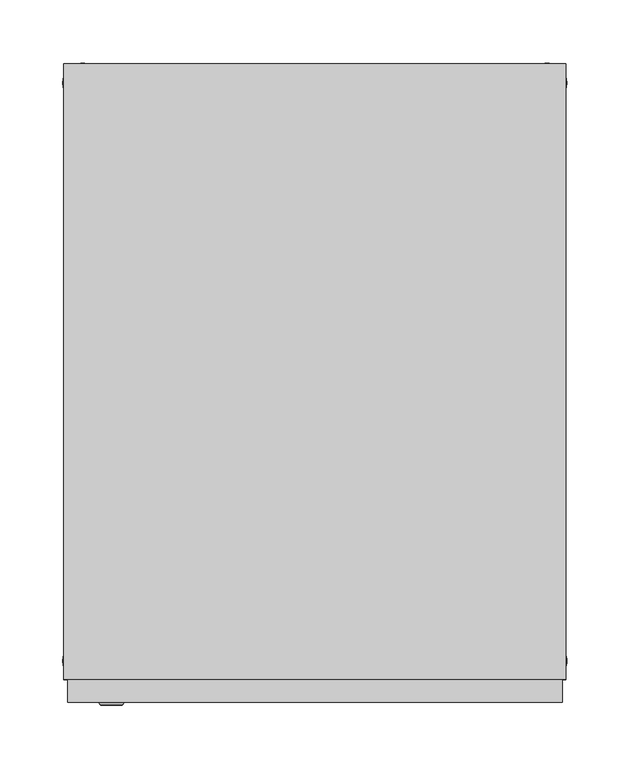
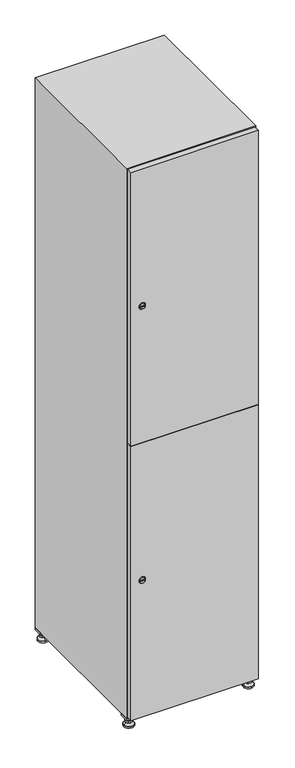
"""IFC4 building model written with IfcOpenShell, lengths in millimetres: furniture geometry."""

from ifc_helpers import new_model, si_unit, point, frame, frame_2d, origin, origin_with_axes, place, context, project, spatial, polyline, circle_curve, trimmed, segment, composite_curve, outline, extrude, faceted_brep, source, transform, mapped, element, save
from ifc_brep_helpers import plane_surface, revolved_surface, advanced_brep


def furniture_f7de7e23(model_context):
    return source(origin(), model_context, "Body", "SolidModel", [
        extrude(outline(polyline([(200.0, 245.0), (200.0, 215.0), (170.0, 215.0), (170.0, 245.0), (200.0, 245.0)]), holes=[polyline([(198.0, 243.0), (172.0, 243.0), (172.0, 217.0), (198.0, 217.0), (198.0, 243.0)])]), frame((0.0, 0.0, 28.5), z_axis=(0.0, 0.0, 1.0), x_axis=(1.0, 0.0, 0.0)), (0.0, 0.0, 1.0), 6.5),
        extrude(outline(polyline([(170.0, -245.0), (170.0, -215.0), (200.0, -215.0), (200.0, -245.0), (170.0, -245.0)]), holes=[polyline([(172.0, -243.0), (198.0, -243.0), (198.0, -217.0), (172.0, -217.0), (172.0, -243.0)])]), frame((0.0, 0.0, 28.5), z_axis=(0.0, 0.0, 1.0), x_axis=(1.0, 0.0, 0.0)), (0.0, 0.0, 1.0), 6.5),
        extrude(outline(polyline([(-170.0, 245.0), (-170.0, 215.0), (-200.0, 215.0), (-200.0, 245.0), (-170.0, 245.0)]), holes=[polyline([(-172.0, 243.0), (-198.0, 243.0), (-198.0, 217.0), (-172.0, 217.0), (-172.0, 243.0)])]), frame((0.0, 0.0, 28.5), z_axis=(0.0, 0.0, 1.0), x_axis=(1.0, 0.0, 0.0)), (0.0, 0.0, 1.0), 6.5),
        extrude(outline(polyline([(-170.0, -215.0), (-170.0, -245.0), (-200.0, -245.0), (-200.0, -215.0), (-170.0, -215.0)]), holes=[polyline([(-198.0, -243.0), (-172.0, -243.0), (-172.0, -217.0), (-198.0, -217.0), (-198.0, -243.0)])]), frame((0.0, 0.0, 28.5), z_axis=(0.0, 0.0, 1.0), x_axis=(1.0, 0.0, 0.0)), (0.0, 0.0, 1.0), 6.5),
        extrude(outline(composite_curve([segment(trimmed(circle_curve(frame_2d((-185.0, 230.0)), 5.0), [point((-180.0, 230.0))], [point((-190.0, 230.0))], False, "CARTESIAN"), True, "CONTINUOUS"), segment(trimmed(circle_curve(frame_2d((-185.0, 230.0)), 5.0), [point((-190.0, 230.0))], [point((-180.0, 230.0))], False, "CARTESIAN"), True, "CONTINUOUS")], self_intersect=False)), frame((0.0, 0.0, 19.6), z_axis=(0.0, 0.0, 1.0), x_axis=(1.0, 0.0, 0.0)), (0.0, 0.0, 1.0), 15.4),
        extrude(outline(composite_curve([segment(trimmed(circle_curve(frame_2d((-185.0, -230.0)), 5.0), [point((-180.0, -230.0))], [point((-190.0, -230.0))], False, "CARTESIAN"), True, "CONTINUOUS"), segment(trimmed(circle_curve(frame_2d((-185.0, -230.0)), 5.0), [point((-190.0, -230.0))], [point((-180.0, -230.0))], False, "CARTESIAN"), True, "CONTINUOUS")], self_intersect=False)), frame((0.0, 0.0, 19.6), z_axis=(0.0, 0.0, 1.0), x_axis=(1.0, 0.0, 0.0)), (0.0, 0.0, 1.0), 15.4),
        extrude(outline(composite_curve([segment(trimmed(circle_curve(frame_2d((185.0, 230.0)), 5.0), [point((190.0, 230.0))], [point((180.0, 230.0))], False, "CARTESIAN"), True, "CONTINUOUS"), segment(trimmed(circle_curve(frame_2d((185.0, 230.0)), 5.0), [point((180.0, 230.0))], [point((190.0, 230.0))], False, "CARTESIAN"), True, "CONTINUOUS")], self_intersect=False)), frame((0.0, 0.0, 19.6), z_axis=(0.0, 0.0, 1.0), x_axis=(1.0, 0.0, 0.0)), (0.0, 0.0, 1.0), 15.4),
        extrude(outline(polyline([(173.4529946, 230.0), (179.2264973, 240.0), (190.7735027, 240.0), (196.5470054, 230.0), (190.7735027, 220.0), (179.2264973, 220.0), (173.4529946, 230.0)])), frame((0.0, 0.0, 13.6), z_axis=(0.0, 0.0, 1.0), x_axis=(1.0, 0.0, 0.0)), (0.0, 0.0, 1.0), 6.0),
        extrude(outline(composite_curve([segment(trimmed(circle_curve(frame_2d((185.0, -230.0)), 5.0), [point((190.0, -230.0))], [point((180.0, -230.0))], False, "CARTESIAN"), True, "CONTINUOUS"), segment(trimmed(circle_curve(frame_2d((185.0, -230.0)), 5.0), [point((180.0, -230.0))], [point((190.0, -230.0))], False, "CARTESIAN"), True, "CONTINUOUS")], self_intersect=False)), frame((0.0, 0.0, 19.6), z_axis=(0.0, 0.0, 1.0), x_axis=(1.0, 0.0, 0.0)), (0.0, 0.0, 1.0), 15.4),
        extrude(outline(polyline([(173.4529946, -230.0), (179.2264973, -220.0), (190.7735027, -220.0), (196.5470054, -230.0), (190.7735027, -240.0), (179.2264973, -240.0), (173.4529946, -230.0)])), frame((0.0, 0.0, 13.6), z_axis=(0.0, 0.0, 1.0), x_axis=(1.0, 0.0, 0.0)), (0.0, 0.0, 1.0), 6.0),
        extrude(outline(composite_curve([segment(trimmed(circle_curve(frame_2d((185.0, 230.0)), 5.0), [point((190.0, 230.0))], [point((180.0, 230.0))], False, "CARTESIAN"), True, "CONTINUOUS"), segment(trimmed(circle_curve(frame_2d((185.0, 230.0)), 5.0), [point((180.0, 230.0))], [point((190.0, 230.0))], False, "CARTESIAN"), True, "CONTINUOUS")], self_intersect=False)), frame((0.0, 0.0, 12.1), z_axis=(0.0, 0.0, 1.0), x_axis=(1.0, 0.0, 0.0)), (0.0, 0.0, 1.0), 1.5),
        extrude(outline(composite_curve([segment(trimmed(circle_curve(frame_2d((185.0, -230.0)), 5.0), [point((190.0, -230.0))], [point((180.0, -230.0))], False, "CARTESIAN"), True, "CONTINUOUS"), segment(trimmed(circle_curve(frame_2d((185.0, -230.0)), 5.0), [point((180.0, -230.0))], [point((190.0, -230.0))], False, "CARTESIAN"), True, "CONTINUOUS")], self_intersect=False)), frame((0.0, 0.0, 12.1), z_axis=(0.0, 0.0, 1.0), x_axis=(1.0, 0.0, 0.0)), (0.0, 0.0, 1.0), 1.5),
        extrude(outline(polyline([(-196.5470054, 230.0), (-190.7735027, 240.0), (-179.2264973, 240.0), (-173.4529946, 230.0), (-179.2264973, 220.0), (-190.7735027, 220.0), (-196.5470054, 230.0)])), frame((0.0, 0.0, 13.6), z_axis=(0.0, 0.0, 1.0), x_axis=(1.0, 0.0, 0.0)), (0.0, 0.0, 1.0), 6.0),
        extrude(outline(polyline([(-196.5470054, -230.0), (-190.7735027, -220.0), (-179.2264973, -220.0), (-173.4529946, -230.0), (-179.2264973, -240.0), (-190.7735027, -240.0), (-196.5470054, -230.0)])), frame((0.0, 0.0, 13.6), z_axis=(0.0, 0.0, 1.0), x_axis=(1.0, 0.0, 0.0)), (0.0, 0.0, 1.0), 6.0),
        extrude(outline(composite_curve([segment(trimmed(circle_curve(frame_2d((-185.0, 230.0)), 5.0), [point((-185.0, 235.0))], [point((-185.0, 225.0))], False, "CARTESIAN"), True, "CONTINUOUS"), segment(trimmed(circle_curve(frame_2d((-185.0, 230.0)), 5.0), [point((-185.0, 225.0))], [point((-185.0, 235.0))], False, "CARTESIAN"), True, "CONTINUOUS")], self_intersect=False)), frame((0.0, 0.0, 12.1), z_axis=(0.0, 0.0, 1.0), x_axis=(1.0, 0.0, 0.0)), (0.0, 0.0, 1.0), 1.5),
        extrude(outline(composite_curve([segment(trimmed(circle_curve(frame_2d((-185.0, -230.0)), 5.0), [point((-180.0, -230.0))], [point((-190.0, -230.0))], False, "CARTESIAN"), True, "CONTINUOUS"), segment(trimmed(circle_curve(frame_2d((-185.0, -230.0)), 5.0), [point((-190.0, -230.0))], [point((-180.0, -230.0))], False, "CARTESIAN"), True, "CONTINUOUS")], self_intersect=False)), frame((0.0, 0.0, 12.1), z_axis=(0.0, 0.0, 1.0), x_axis=(1.0, 0.0, 0.0)), (0.0, 0.0, 1.0), 1.5),
        extrude(outline(composite_curve([segment(trimmed(circle_curve(frame_2d((185.0, 230.0)), 15.75), [point((200.75, 230.0))], [point((169.25, 230.0))], False, "CARTESIAN"), True, "CONTINUOUS"), segment(trimmed(circle_curve(frame_2d((185.0, 230.0)), 15.75), [point((169.25, 230.0))], [point((200.75, 230.0))], False, "CARTESIAN"), True, "CONTINUOUS")], self_intersect=False)), origin_with_axes(), (0.0, 0.0, 1.0), 5.1),
        extrude(outline(composite_curve([segment(trimmed(circle_curve(frame_2d((185.0, -230.0)), 15.75), [point((185.0, -214.25))], [point((185.0, -245.75))], False, "CARTESIAN"), True, "CONTINUOUS"), segment(trimmed(circle_curve(frame_2d((185.0, -230.0)), 15.75), [point((185.0, -245.75))], [point((185.0, -214.25))], False, "CARTESIAN"), True, "CONTINUOUS")], self_intersect=False)), origin_with_axes(), (0.0, 0.0, 1.0), 5.1),
        extrude(outline(composite_curve([segment(trimmed(circle_curve(frame_2d((-185.0, -230.0)), 15.75), [point((-169.25, -230.0))], [point((-200.75, -230.0))], False, "CARTESIAN"), True, "CONTINUOUS"), segment(trimmed(circle_curve(frame_2d((-185.0, -230.0)), 15.75), [point((-200.75, -230.0))], [point((-169.25, -230.0))], False, "CARTESIAN"), True, "CONTINUOUS")], self_intersect=False)), origin_with_axes(), (0.0, 0.0, 1.0), 5.1),
        extrude(outline(composite_curve([segment(trimmed(circle_curve(frame_2d((-185.0, 230.0)), 15.75), [point((-169.25, 230.0))], [point((-200.75, 230.0))], False, "CARTESIAN"), True, "CONTINUOUS"), segment(trimmed(circle_curve(frame_2d((-185.0, 230.0)), 15.75), [point((-200.75, 230.0))], [point((-169.25, 230.0))], False, "CARTESIAN"), True, "CONTINUOUS")], self_intersect=False)), origin_with_axes(), (0.0, 0.0, 1.0), 5.1),
        advanced_brep(
        [(-185.0, 239.5, 12.1), (-185.0, 220.5, 12.1), (-185.0, 214.25, 5.1), (-185.0, 245.75, 5.1)],
        [
            (0, 1, circle_curve(frame((-185.0, 230.0, 12.1), z_axis=(0.0, 0.0, -1.0), x_axis=(0.0, 1.0, 0.0)), 9.5)),
            (1, 2),
            (2, 3, circle_curve(frame((-185.0, 230.0, 5.1), z_axis=(0.0, 0.0, 1.0), x_axis=(0.0, 1.0, 0.0)), 15.75)),
            (3, 0),
            (1, 0, circle_curve(frame((-185.0, 230.0, 12.1), z_axis=(0.0, 0.0, -1.0), x_axis=(0.0, -1.0, 0.0)), 9.5)),
            (3, 2, circle_curve(frame((-185.0, 230.0, 5.1), z_axis=(0.0, 0.0, 1.0), x_axis=(0.0, -1.0, 0.0)), 15.75)),
        ],
        [
            revolved_surface(polyline([(-185.0, 220.5, 12.099999999999998), (-185.0, 214.25, 5.099999999999998)]), (-185.0, 230.0, 22.74), (0.0, 0.0, -1.0)),
            revolved_surface(polyline([(-185.0, 239.5, 12.099999999999998), (-185.0, 245.75, 5.099999999999998)]), (-185.0, 230.0, 22.74), (0.0, 0.0, -1.0)),
            plane_surface(frame((-185.0, 230.0, 5.1), z_axis=(0.0, 0.0, -1.0), x_axis=(1.0, 0.0, 0.0))),
            plane_surface(frame((-185.0, 230.0, 12.1), z_axis=(0.0, 0.0, 1.0), x_axis=(1.0, 0.0, 0.0))),
        ],
        [
            (0, [[1, 2, 3, 4]]),
            (1, [[5, -4, 6, -2]]),
            (2, [[-3, -6]]),
            (3, [[-5, -1]]),
        ],
    ),
        advanced_brep(
        [(185.0, 239.5, 12.1), (185.0, 220.5, 12.1), (185.0, 214.25, 5.1), (185.0, 245.75, 5.1)],
        [
            (0, 1, circle_curve(frame((185.0, 230.0, 12.1), z_axis=(0.0, 0.0, -1.0), x_axis=(0.0, 1.0, 0.0)), 9.5)),
            (1, 2),
            (2, 3, circle_curve(frame((185.0, 230.0, 5.1), z_axis=(0.0, 0.0, 1.0), x_axis=(0.0, 1.0, 0.0)), 15.75)),
            (3, 0),
            (1, 0, circle_curve(frame((185.0, 230.0, 12.1), z_axis=(0.0, 0.0, -1.0), x_axis=(0.0, -1.0, 0.0)), 9.5)),
            (3, 2, circle_curve(frame((185.0, 230.0, 5.1), z_axis=(0.0, 0.0, 1.0), x_axis=(0.0, -1.0, 0.0)), 15.75)),
        ],
        [
            revolved_surface(polyline([(185.0, 220.5, 12.099999999999998), (185.0, 214.25, 5.099999999999998)]), (185.0, 230.0, 22.74), (0.0, 0.0, -1.0)),
            revolved_surface(polyline([(185.0, 239.5, 12.099999999999998), (185.0, 245.75, 5.099999999999998)]), (185.0, 230.0, 22.74), (0.0, 0.0, -1.0)),
            plane_surface(frame((185.0, 230.0, 5.1), z_axis=(0.0, 0.0, -1.0), x_axis=(1.0, 0.0, 0.0))),
            plane_surface(frame((185.0, 230.0, 12.1), z_axis=(0.0, 0.0, 1.0), x_axis=(1.0, 0.0, 0.0))),
        ],
        [
            (0, [[1, 2, 3, 4]]),
            (1, [[5, -4, 6, -2]]),
            (2, [[-3, -6]]),
            (3, [[-5, -1]]),
        ],
    ),
        advanced_brep(
        [(200.75, -230.0, 5.1), (169.25, -230.0, 5.1), (175.5, -230.0, 12.1), (194.5, -230.0, 12.1)],
        [
            (0, 1, circle_curve(frame((185.0, -230.0, 5.1), z_axis=(0.0, 0.0, 1.0), x_axis=(1.0, 0.0, 0.0)), 15.75)),
            (1, 2),
            (2, 3, circle_curve(frame((185.0, -230.0, 12.1), z_axis=(0.0, 0.0, -1.0), x_axis=(1.0, 0.0, 0.0)), 9.5)),
            (3, 0),
            (1, 0, circle_curve(frame((185.0, -230.0, 5.1), z_axis=(0.0, 0.0, 1.0), x_axis=(-1.0, 0.0, 0.0)), 15.75)),
            (3, 2, circle_curve(frame((185.0, -230.0, 12.1), z_axis=(0.0, 0.0, -1.0), x_axis=(-1.0, 0.0, 0.0)), 9.5)),
        ],
        [
            revolved_surface(polyline([(194.5, -230.0, 12.099999999999998), (200.75, -230.0, 5.099999999999998)]), (185.0, -230.0, 22.74), (0.0, 0.0, -1.0)),
            revolved_surface(polyline([(175.5, -230.0, 12.099999999999998), (169.25, -230.0, 5.099999999999998)]), (185.0, -230.0, 22.74), (0.0, 0.0, -1.0)),
            plane_surface(frame((185.0, -230.0, 12.1), z_axis=(0.0, 0.0, 1.0), x_axis=(0.0, 1.0, 0.0))),
            plane_surface(frame((185.0, -230.0, 5.1), z_axis=(0.0, 0.0, -1.0), x_axis=(0.0, 1.0, 0.0))),
        ],
        [
            (0, [[1, 2, 3, 4]]),
            (1, [[5, -4, 6, -2]]),
            (2, [[-3, -6]]),
            (3, [[-5, -1]]),
        ],
    ),
        advanced_brep(
        [(-169.25, -230.0, 5.1), (-200.75, -230.0, 5.1), (-194.5, -230.0, 12.1), (-175.5, -230.0, 12.1)],
        [
            (0, 1, circle_curve(frame((-185.0, -230.0, 5.1), z_axis=(0.0, 0.0, 1.0), x_axis=(1.0, 0.0, 0.0)), 15.75)),
            (1, 2),
            (2, 3, circle_curve(frame((-185.0, -230.0, 12.1), z_axis=(0.0, 0.0, -1.0), x_axis=(1.0, 0.0, 0.0)), 9.5)),
            (3, 0),
            (1, 0, circle_curve(frame((-185.0, -230.0, 5.1), z_axis=(0.0, 0.0, 1.0), x_axis=(-1.0, 0.0, 0.0)), 15.75)),
            (3, 2, circle_curve(frame((-185.0, -230.0, 12.1), z_axis=(0.0, 0.0, -1.0), x_axis=(-1.0, 0.0, 0.0)), 9.5)),
        ],
        [
            revolved_surface(polyline([(-175.5, -230.0, 12.099999999999998), (-169.25, -230.0, 5.099999999999998)]), (-185.0, -230.0, 22.74), (0.0, 0.0, -1.0)),
            revolved_surface(polyline([(-194.5, -230.0, 12.099999999999998), (-200.75, -230.0, 5.099999999999998)]), (-185.0, -230.0, 22.74), (0.0, 0.0, -1.0)),
            plane_surface(frame((-185.0, -230.0, 12.1), z_axis=(0.0, 0.0, 1.0), x_axis=(0.0, 1.0, 0.0))),
            plane_surface(frame((-185.0, -230.0, 5.1), z_axis=(0.0, 0.0, -1.0), x_axis=(0.0, 1.0, 0.0))),
        ],
        [
            (0, [[1, 2, 3, 4]]),
            (1, [[5, -4, 6, -2]]),
            (2, [[-3, -6]]),
            (3, [[-5, -1]]),
        ],
    ),
        extrude(outline(composite_curve([segment(trimmed(circle_curve(frame_2d((486.5, -188.7989466)), 7.0), [point((493.5, -188.7989466))], [point((479.5, -188.7989466))], False, "CARTESIAN"), True, "CONTINUOUS"), segment(polyline([(479.5, -188.7989466), (479.5, -160.7989466)]), True, "CONTINUOUS"), segment(trimmed(circle_curve(frame_2d((486.5, -160.7989466)), 7.0), [point((479.5, -160.7989466))], [point((493.5, -160.7989466))], False, "CARTESIAN"), True, "CONTINUOUS"), segment(polyline([(493.5, -160.7989466), (493.5, -188.7989466)]), True, "CONTINUOUS")], self_intersect=False)), frame((0.0, -245.0, 0.0), z_axis=(0.0, 1.0, 0.0), x_axis=(0.0, 0.0, 1.0)), (0.0, 0.0, 1.0), 2.0),
        advanced_brep(
        [(-153.5, -265.2, 486.5), (-170.5, -265.2, 486.5), (-167.0, -265.2, 485.25), (-167.0, -265.2, 487.75), (-157.0, -265.2, 487.75), (-157.0, -265.2, 485.25), (-151.5, -263.0, 486.5), (-172.5, -263.0, 486.5), (-167.0, -263.0, 487.75), (-167.0, -263.0, 485.25), (-157.0, -263.0, 485.25), (-157.0, -263.0, 487.75)],
        [
            (0, 1, circle_curve(frame((-162.0, -265.2, 486.5), z_axis=(0.0, -1.0, 0.0), x_axis=(1.0, 0.0, 0.0)), 8.5)),
            (1, 0, circle_curve(frame((-162.0, -265.2, 486.5), z_axis=(0.0, -1.0, 0.0), x_axis=(-1.0, 0.0, 0.0)), 8.5)),
            (2, 3),
            (3, 4),
            (4, 5),
            (5, 2),
            (6, 7, circle_curve(frame((-162.0, -263.0, 486.5), z_axis=(0.0, 1.0, 0.0), x_axis=(-1.0, 0.0, 0.0)), 10.5)),
            (7, 6, circle_curve(frame((-162.0, -263.0, 486.5), z_axis=(0.0, 1.0, 0.0), x_axis=(1.0, 0.0, 0.0)), 10.5)),
            (8, 9),
            (9, 10),
            (10, 11),
            (11, 8),
            (0, 6),
            (7, 1),
            (8, 3),
            (2, 9),
            (11, 4),
            (10, 5),
        ],
        [
            plane_surface(frame((-162.0, -265.2, 486.5), z_axis=(0.0, -1.0, 0.0), x_axis=(0.0, 0.0, 1.0))),
            plane_surface(frame((-162.0, -263.0, 486.5), z_axis=(0.0, 1.0, 0.0), x_axis=(0.0, 0.0, 1.0))),
            revolved_surface(polyline([(-153.5, -265.2, 486.5), (-151.5, -263.0, 486.5)]), (-162.0, -274.55, 486.5), (0.0, 1.0, 0.0)),
            revolved_surface(polyline([(-170.5, -265.2, 486.5), (-172.5, -263.0, 486.5)]), (-162.0, -274.55, 486.5), (0.0, 1.0, 0.0)),
            plane_surface(frame((-167.0, -263.0, 485.25), z_axis=(1.0, 0.0, 0.0), x_axis=(0.0, -1.0, 0.0))),
            plane_surface(frame((-167.0, -263.0, 487.75), z_axis=(0.0, 0.0, -1.0), x_axis=(0.0, -1.0, 0.0))),
            plane_surface(frame((-157.0, -263.0, 487.75), z_axis=(-1.0, 0.0, 0.0), x_axis=(0.0, -1.0, 0.0))),
            plane_surface(frame((-157.0, -263.0, 485.25), z_axis=(0.0, 0.0, 1.0), x_axis=(0.0, -1.0, 0.0))),
        ],
        [
            (0, [[1, 2], [3, 4, 5, 6]]),
            (1, [[7, 8], [9, 10, 11, 12]]),
            (2, [[-1, 13, -8, 14]]),
            (3, [[-2, -14, -7, -13]]),
            (4, [[15, -3, 16, -9]]),
            (5, [[-15, -12, 17, -4]]),
            (6, [[-17, -11, 18, -5]]),
            (7, [[-16, -6, -18, -10]]),
        ],
    ),
        extrude(outline(composite_curve([segment(trimmed(circle_curve(frame_2d((1383.5, -188.7989466)), 7.0), [point((1390.5, -188.7989466))], [point((1376.5, -188.7989466))], False, "CARTESIAN"), True, "CONTINUOUS"), segment(polyline([(1376.5, -188.7989466), (1376.5, -160.7989466)]), True, "CONTINUOUS"), segment(trimmed(circle_curve(frame_2d((1383.5, -160.7989466)), 7.0), [point((1376.5, -160.7989466))], [point((1390.5, -160.7989466))], False, "CARTESIAN"), True, "CONTINUOUS"), segment(polyline([(1390.5, -160.7989466), (1390.5, -188.7989466)]), True, "CONTINUOUS")], self_intersect=False)), frame((0.0, -245.0, 0.0), z_axis=(0.0, 1.0, 0.0), x_axis=(0.0, 0.0, 1.0)), (0.0, 0.0, 1.0), 2.0),
        advanced_brep(
        [(-153.5, -265.2, 1383.5), (-170.5, -265.2, 1383.5), (-167.0, -265.2, 1382.25), (-167.0, -265.2, 1384.75), (-157.0, -265.2, 1384.75), (-157.0, -265.2, 1382.25), (-151.5, -263.0, 1383.5), (-172.5, -263.0, 1383.5), (-167.0, -263.0, 1384.75), (-167.0, -263.0, 1382.25), (-157.0, -263.0, 1382.25), (-157.0, -263.0, 1384.75)],
        [
            (0, 1, circle_curve(frame((-162.0, -265.2, 1383.5), z_axis=(0.0, -1.0, 0.0), x_axis=(1.0, 0.0, 0.0)), 8.5)),
            (1, 0, circle_curve(frame((-162.0, -265.2, 1383.5), z_axis=(0.0, -1.0, 0.0), x_axis=(-1.0, 0.0, 0.0)), 8.5)),
            (2, 3),
            (3, 4),
            (4, 5),
            (5, 2),
            (6, 7, circle_curve(frame((-162.0, -263.0, 1383.5), z_axis=(0.0, 1.0, 0.0), x_axis=(-1.0, 0.0, 0.0)), 10.5)),
            (7, 6, circle_curve(frame((-162.0, -263.0, 1383.5), z_axis=(0.0, 1.0, 0.0), x_axis=(1.0, 0.0, 0.0)), 10.5)),
            (8, 9),
            (9, 10),
            (10, 11),
            (11, 8),
            (0, 6),
            (7, 1),
            (8, 3),
            (2, 9),
            (11, 4),
            (10, 5),
        ],
        [
            plane_surface(frame((-162.0, -265.2, 1383.5), z_axis=(0.0, -1.0, 0.0), x_axis=(0.0, 0.0, 1.0))),
            plane_surface(frame((-162.0, -263.0, 1383.5), z_axis=(0.0, 1.0, 0.0), x_axis=(0.0, 0.0, 1.0))),
            revolved_surface(polyline([(-153.5, -265.2, 1383.5), (-151.5, -263.0, 1383.5)]), (-162.0, -274.55, 1383.5), (0.0, 1.0, 0.0)),
            revolved_surface(polyline([(-170.5, -265.2, 1383.5), (-172.5, -263.0, 1383.5)]), (-162.0, -274.55, 1383.5), (0.0, 1.0, 0.0)),
            plane_surface(frame((-167.0, -263.0, 1382.25), z_axis=(1.0, 0.0, 0.0), x_axis=(0.0, -1.0, 0.0))),
            plane_surface(frame((-167.0, -263.0, 1384.75), z_axis=(0.0, 0.0, -1.0), x_axis=(0.0, -1.0, 0.0))),
            plane_surface(frame((-157.0, -263.0, 1384.75), z_axis=(-1.0, 0.0, 0.0), x_axis=(0.0, -1.0, 0.0))),
            plane_surface(frame((-157.0, -263.0, 1382.25), z_axis=(0.0, 0.0, 1.0), x_axis=(0.0, -1.0, 0.0))),
        ],
        [
            (0, [[1, 2], [3, 4, 5, 6]]),
            (1, [[7, 8], [9, 10, 11, 12]]),
            (2, [[-1, 13, -8, 14]]),
            (3, [[-2, -14, -7, -13]]),
            (4, [[15, -3, 16, -9]]),
            (5, [[-15, -12, 17, -4]]),
            (6, [[-17, -11, 18, -5]]),
            (7, [[-16, -6, -18, -10]]),
        ],
    ),
        extrude(outline(polyline([(-197.0, -263.0), (-197.0, -245.0), (197.0, -245.0), (197.0, -263.0), (-197.0, -263.0)])), frame((0.0, 0.0, 38.0), z_axis=(0.0, 0.0, 1.0), x_axis=(1.0, 0.0, 0.0)), (0.0, 0.0, 1.0), 896.5),
        extrude(outline(polyline([(197.0, -245.0), (197.0, -263.0), (-197.0, -263.0), (-197.0, -245.0), (197.0, -245.0)])), frame((0.0, 0.0, 935.5), z_axis=(0.0, 0.0, 1.0), x_axis=(1.0, 0.0, 0.0)), (0.0, 0.0, 1.0), 896.5),
        extrude(outline(polyline([(179.6, 242.0), (179.6, -227.0), (-179.6, -227.0), (-179.6, 242.0), (179.6, 242.0)])), frame((0.0, 0.0, 924.8), z_axis=(0.0, 0.0, 1.0), x_axis=(1.0, 0.0, 0.0)), (0.0, 0.0, 1.0), 20.4),
        faceted_brep([(200.0, -245.0, 35.0), (200.0, -245.0, 1835.0), (-200.0, -245.0, 1835.0), (-200.0, -245.0, 35.0), (179.6, -245.0, 1804.8), (179.6, -245.0, 65.2), (-179.6, -245.0, 65.2), (-179.6, -245.0, 1804.8), (200.0, 245.0, 35.0), (-200.0, 245.0, 35.0), (200.0, 245.0, 1835.0), (-200.0, 245.0, 1835.0), (179.6, 242.0, 1804.8), (179.6, 242.0, 65.2), (-200.0, 245.0, 1804.8), (-179.6, 242.0, 1804.8), (-179.6, 242.0, 65.2)], [[[0, 1, 2, 3], [4, 5, 6, 7]], [[8, 0, 3, 9]], [[1, 0, 8, 10]], [[1, 10, 11, 2]], [[4, 12, 13, 5]], [[9, 3, 2, 11, 14]], [[10, 8, 9, 14, 11]], [[12, 15, 16, 13]], [[15, 7, 6, 16]], [[4, 7, 15, 12]], [[6, 5, 13, 16]]]),
    ])


if __name__ == "__main__":
    model = new_model("IFC4")
    model_context = context("Model", 3, world=origin())
    ifc_project = project(units=[si_unit("LENGTHUNIT", "METRE", prefix="MILLI")], contexts=[model_context])
    site = spatial("IfcSite", under=ifc_project)
    building = spatial("IfcBuilding", under=site)
    placement = place(None, origin())
    furniture_shape = furniture_f7de7e23(model_context)
    element("IfcFurniture", 1, at=placement, inside=building, context=model_context, shape_type="MappedRepresentation", body=[
        mapped(furniture_shape, transform((0.0, 0.0, 0.0), x_axis=(1.0, 0.0, 0.0), y_axis=(0.0, 1.0, 0.0), z_axis=(0.0, 0.0, 1.0))),
    ])
    save(model, "model.ifc")
